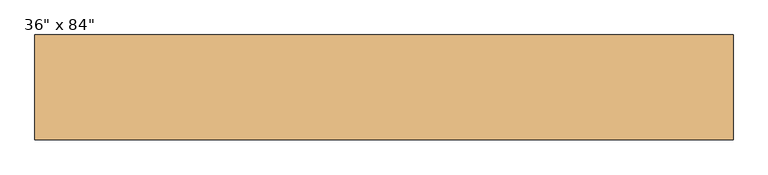
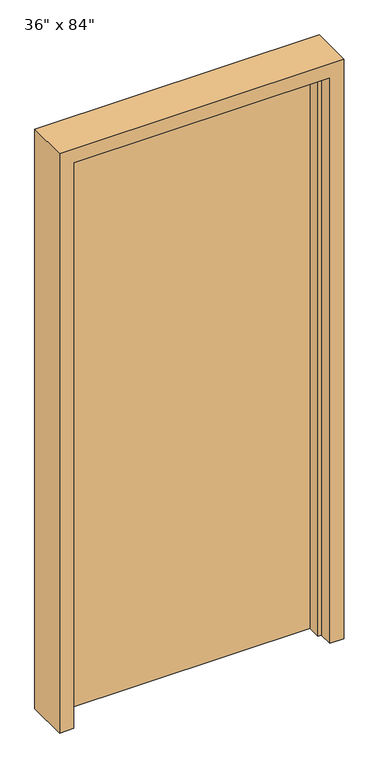
"""IFC4 building model written with IfcOpenShell, lengths in millimetres: door geometry."""

import ifcopenshell
import ifcopenshell.guid

model = None  # the IFC model being written
_history = None  # IfcOwnerHistory: only IFC2X3 demands one
_inside = {}  # id of a spatial element -> (the spatial element, [elements in it])
_under = {}  # id of a project, library or spatial element -> (it, [spatial elements below it])
_declared = {}  # id of a project -> (the project, [libraries it declares])
_typed = {}  # id of a type object -> (the type object, [elements of that type])
_made_of = {}  # id of a material, layer set ... -> (it, [elements and type objects made of it])


def new_model(schema):
    """Start an empty IFC model of exactly this schema.

    Asked for "IFC4X3", IfcOpenShell would pick the latest addendum, in which some entities
    have other attributes; the version numbers below select the first issue.
    IFC2X3 requires an IfcOwnerHistory on every rooted entity: one is made here for all.
    """
    global model, _history
    if schema == "IFC4X3":
        model = ifcopenshell.file(schema_version=(4, 3, 0, 0))
    else:
        model = ifcopenshell.file(schema=schema)
    _inside.clear()
    _under.clear()
    _declared.clear()
    _typed.clear()
    _made_of.clear()
    _history = None
    if model.schema == "IFC2X3":
        org = make("IfcOrganization", Name="unknown")
        user = make(
            "IfcPersonAndOrganization",
            ThePerson=make("IfcPerson", FamilyName="unknown"),
            TheOrganization=org,
        )
        app = make(
            "IfcApplication",
            ApplicationDeveloper=org,
            Version="unknown",
            ApplicationFullName="unknown",
            ApplicationIdentifier="unknown",
        )
        _history = make(
            "IfcOwnerHistory",
            OwningUser=user,
            OwningApplication=app,
            ChangeAction="ADDED",
            CreationDate=0,
        )
    return model


def make(cls, **values):
    """One entity of the class cls with the attributes given. An attribute that is None is left unset."""
    return model.create_entity(
        cls, **{name: value for name, value in values.items() if value is not None}
    )


def rooted(cls, **values):
    """An entity with a GlobalId (a new one), such as an element, a storey or a relation."""
    return make(cls, GlobalId=ifcopenshell.guid.new(), OwnerHistory=_history, **values)


def si_unit(unit_type, name, prefix=None):
    """IfcSIUnit, for example si_unit("LENGTHUNIT", "METRE", prefix="MILLI")."""
    return make("IfcSIUnit", UnitType=unit_type, Prefix=prefix, Name=name)


def assignment(units):
    """IfcUnitAssignment: the units of a project."""
    return None if units is None else make("IfcUnitAssignment", Units=units)


def point(xyz):
    """IfcCartesianPoint."""
    return None if xyz is None else make("IfcCartesianPoint", Coordinates=xyz)


def direction(xyz):
    """IfcDirection."""
    return None if xyz is None else make("IfcDirection", DirectionRatios=xyz)


def frame(location, z_axis=None, x_axis=None):
    """IfcAxis2Placement3D, a coordinate frame: its origin and axes. An axis left out is left unset."""
    return make(
        "IfcAxis2Placement3D",
        Location=point(location),
        Axis=direction(z_axis),
        RefDirection=direction(x_axis),
    )


def origin():
    """The frame at (0, 0, 0) with its axes left unset."""
    return frame((0.0, 0.0, 0.0))


def origin_with_axes():
    """The frame at (0, 0, 0) with the z axis (0, 0, 1) and the x axis (1, 0, 0) written out."""
    return frame((0.0, 0.0, 0.0), z_axis=(0.0, 0.0, 1.0), x_axis=(1.0, 0.0, 0.0))


def place(relative_to, where):
    """IfcLocalPlacement: puts the frame where relative to a parent placement (None: the world)."""
    return make(
        "IfcLocalPlacement", PlacementRelTo=relative_to, RelativePlacement=where
    )


def context(
    kind, dimensions, precision=None, world=None, true_north=None, identifier=None
):
    """IfcGeometricRepresentationContext, for example the 3D "Model" context."""
    return make(
        "IfcGeometricRepresentationContext",
        ContextIdentifier=identifier,
        ContextType=kind,
        CoordinateSpaceDimension=dimensions,
        Precision=precision,
        WorldCoordinateSystem=world,
        TrueNorth=true_north,
    )


def project(units=None, contexts=None):
    """IfcProject with its units and contexts."""
    return rooted(
        "IfcProject",
        Name="project",
        RepresentationContexts=contexts,
        UnitsInContext=assignment(units),
    )


def spatial(cls, under=None, at=None, **own):
    """A site, building, storey or space (cls), placed at a placement, below another one or the project."""
    s = rooted(cls, ObjectPlacement=at, **own)
    if under is not None:
        _under.setdefault(under.id(), (under, []))[1].append(s)
    return s


def polyline(points):
    """IfcPolyline through the points."""
    return make("IfcPolyline", Points=[point(p) for p in points])


def outline(outer, holes=None, kind="AREA"):
    """IfcArbitraryClosedProfileDef: a profile drawn as a closed curve; with holes, ...WithVoids."""
    if holes is None:
        return make("IfcArbitraryClosedProfileDef", ProfileType=kind, OuterCurve=outer)
    return make(
        "IfcArbitraryProfileDefWithVoids",
        ProfileType=kind,
        OuterCurve=outer,
        InnerCurves=holes,
    )


def extrude(swept, where, along, depth):
    """IfcExtrudedAreaSolid: the profile swept, set in the frame where, extruded along a direction by depth."""
    return make(
        "IfcExtrudedAreaSolid",
        SweptArea=swept,
        Position=where,
        ExtrudedDirection=direction(along),
        Depth=depth,
    )


def faces_of(points, faces, orient=None, outer=None):
    """IfcFace entities. A face is a list of loops; a loop is a list of indices into points, from 0.

    orient and outer hold one flag for each loop. By default every Orientation is true, the
    first loop of a face is its IfcFaceOuterBound and the others are IfcFaceBound.
    """
    made = []
    for i, loops in enumerate(faces):
        bounds = []
        for j, loop in enumerate(loops):
            is_outer = j == 0 if outer is None else outer[i][j]
            bounds.append(
                make(
                    "IfcFaceOuterBound" if is_outer else "IfcFaceBound",
                    Bound=make("IfcPolyLoop", Polygon=[points[k] for k in loop]),
                    Orientation=True if orient is None else orient[i][j],
                )
            )
        made.append(make("IfcFace", Bounds=bounds))
    return made


def faceted_brep(points, faces, orient=None, outer=None, voids=None):
    """IfcFacetedBrep: a solid bounded by flat faces; with voids (closed shells), ...WithVoids."""
    shared = [point(p) for p in points]
    hull = make("IfcClosedShell", CfsFaces=faces_of(shared, faces, orient, outer))
    if voids is None:
        return make("IfcFacetedBrep", Outer=hull)
    return make(
        "IfcFacetedBrepWithVoids",
        Outer=hull,
        Voids=[
            make(cls, CfsFaces=faces_of(shared, fs, o, b)) for cls, fs, o, b in voids
        ],
    )


def shape(context_of_items, identifier, shape_type, items):
    """IfcShapeRepresentation: the items that make up one representation, for example the "Body"."""
    return make(
        "IfcShapeRepresentation",
        ContextOfItems=context_of_items,
        RepresentationIdentifier=identifier,
        RepresentationType=shape_type,
        Items=items,
    )


def source(mapping_origin, context_of_items, identifier, shape_type, items):
    """IfcRepresentationMap: a shape defined once, which mapped items show again and again."""
    return make(
        "IfcRepresentationMap",
        MappingOrigin=mapping_origin,
        MappedRepresentation=shape(context_of_items, identifier, shape_type, items),
    )


def transform(
    local_origin,
    x_axis=None,
    y_axis=None,
    z_axis=None,
    scale=None,
    scale2=None,
    scale3=None,
    uniform=True,
):
    """IfcCartesianTransformationOperator3D, or its non-uniform kind. x_axis, y_axis, z_axis: its Axis1, 2, 3."""
    if uniform:
        return make(
            "IfcCartesianTransformationOperator3D",
            Axis1=direction(x_axis),
            Axis2=direction(y_axis),
            LocalOrigin=point(local_origin),
            Scale=scale,
            Axis3=direction(z_axis),
        )
    return make(
        "IfcCartesianTransformationOperator3DnonUniform",
        Axis1=direction(x_axis),
        Axis2=direction(y_axis),
        LocalOrigin=point(local_origin),
        Scale=scale,
        Axis3=direction(z_axis),
        Scale2=scale2,
        Scale3=scale3,
    )


def mapped(mapping_source, mapping_target):
    """IfcMappedItem: shows the shape of a source again, moved by a transform."""
    return make(
        "IfcMappedItem", MappingSource=mapping_source, MappingTarget=mapping_target
    )


def made_of(thing, what):
    """Note that an element or type object is made of a material, layer set ...; save() writes the relation."""
    if what is not None:
        _made_of.setdefault(what.id(), (what, []))[1].append(thing)
    return thing


def element(
    cls,
    number,
    at=None,
    inside=None,
    cuts=None,
    type_object=None,
    material=None,
    context=None,
    identifier="Body",
    shape_type=None,
    held_by="IfcProductDefinitionShape",
    body=None,
    shapes=None,
    **own,
):
    """One element of the class cls, such as IfcWall. Its Tag is "e" and its number.

    at: its placement. inside: the storey or other place that contains it. cuts: it is an
    opening in that element (IfcRelVoidsElement). A single representation is given by context,
    identifier, shape_type and body (its items); several are given by shapes. held_by: the class
    of the entity that holds the representations. save() writes the other relations.
    """
    e = rooted(cls, Tag="e%d" % number, ObjectPlacement=at, **own)
    if body is not None:
        shapes = [shape(context, identifier, shape_type, body)]
    if shapes is not None:
        e.Representation = make(held_by, Representations=shapes)
    if inside is not None:
        _inside.setdefault(inside.id(), (inside, []))[1].append(e)
    if cuts is not None:
        rooted(
            "IfcRelVoidsElement", RelatingBuildingElement=cuts, RelatedOpeningElement=e
        )
    if type_object is not None:
        _typed.setdefault(type_object.id(), (type_object, []))[1].append(e)
    return made_of(e, material)


def aggregate(whole, parts):
    """IfcRelAggregates: a whole, such as a stair, and the parts it consists of."""
    return rooted("IfcRelAggregates", RelatingObject=whole, RelatedObjects=parts)


def save(model, path):
    """Write the relations noted so far, then the file.

    IfcRelAggregates (storeys below a building ...), IfcRelContainedInSpatialStructure (elements
    in a storey), IfcRelDefinesByType, IfcRelAssociatesMaterial and IfcRelDeclares: one each for
    every whole, place, type object, material and project.
    """
    for whole, parts in _under.values():
        aggregate(whole, parts)
    for where, things in _inside.values():
        rooted(
            "IfcRelContainedInSpatialStructure",
            RelatedElements=things,
            RelatingStructure=where,
        )
    for kind, things in _typed.values():
        rooted("IfcRelDefinesByType", RelatedObjects=things, RelatingType=kind)
    for what, things in _made_of.values():
        rooted("IfcRelAssociatesMaterial", RelatedObjects=things, RelatingMaterial=what)
    for by, libraries in _declared.values():
        rooted("IfcRelDeclares", RelatingContext=by, RelatedDefinitions=libraries)
    model.write(path)


def door_ee0037c5(model_context):
    return source(origin(), model_context, "Body", "SolidModel", [
        extrude(outline(polyline([(-457.2, 114.3), (457.2, 114.3), (457.2, 63.5), (-457.2, 63.5), (-457.2, 114.3)])), origin_with_axes(), (0.0, 0.0, 1.0), 2133.6),
        faceted_brep([(-457.2, -38.1, 0.0), (-508.0, -38.1, 0.0), (-508.0, 114.3, 0.0), (-457.2, 114.3, 0.0), (-457.2, 63.5, 0.0), (-444.5, 63.5, 0.0), (-444.5, 12.7, 0.0), (-457.2, 12.7, 0.0), (-457.2, -38.1, 2133.6), (457.2, -38.1, 2133.6), (457.2, -38.1, 0.0), (508.0, -38.1, 0.0), (508.0, -38.1, 2184.4), (-508.0, -38.1, 2184.4), (-508.0, 114.3, 2184.4), (508.0, 114.3, 2184.4), (508.0, 114.3, 0.0), (457.2, 114.3, 0.0), (457.2, 114.3, 2133.6), (-457.2, 114.3, 2133.6), (-457.2, 63.5, 2133.6), (457.2, 63.5, 2133.6), (457.2, 63.5, 0.0), (444.5, 63.5, 0.0), (444.5, 63.5, 2120.9), (-444.5, 63.5, 2120.9), (-444.5, 12.7, 2120.9), (444.5, 12.7, 2120.9), (444.5, 12.7, 0.0), (457.2, 12.7, 0.0), (457.2, 12.7, 2133.6), (-457.2, 12.7, 2133.6)], [[[0, 1, 2, 3, 4, 5, 6, 7]], [[1, 0, 8, 9, 10, 11, 12, 13]], [[2, 1, 13, 14]], [[3, 2, 14, 15, 16, 17, 18, 19]], [[4, 3, 19, 20]], [[5, 4, 20, 21, 22, 23, 24, 25]], [[6, 5, 25, 26]], [[7, 6, 26, 27, 28, 29, 30, 31]], [[0, 7, 31, 8]], [[14, 13, 12, 15]], [[20, 19, 18, 21]], [[26, 25, 24, 27]], [[8, 31, 30, 9]], [[10, 29, 28, 23, 22, 17, 16, 11]], [[15, 12, 11, 16]], [[21, 18, 17, 22]], [[27, 24, 23, 28]], [[9, 30, 29, 10]]]),
    ])


if __name__ == "__main__":
    model = new_model("IFC4")
    model_context = context("Model", 3, world=origin())
    ifc_project = project(units=[si_unit("LENGTHUNIT", "METRE", prefix="MILLI")], contexts=[model_context])
    site = spatial("IfcSite", under=ifc_project)
    building = spatial("IfcBuilding", under=site)
    placement = place(None, origin())
    door_shape = door_ee0037c5(model_context)
    element("IfcDoor", 1, ObjectType="36\" x 84\"", at=placement, inside=building, context=model_context, shape_type="MappedRepresentation", body=[
        mapped(door_shape, transform((0.0, 0.0, 0.0), x_axis=(1.0, 0.0, 0.0), y_axis=(0.0, 1.0, 0.0), z_axis=(0.0, 0.0, 1.0))),
    ])
    save(model, "model.ifc")
